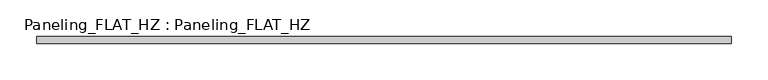
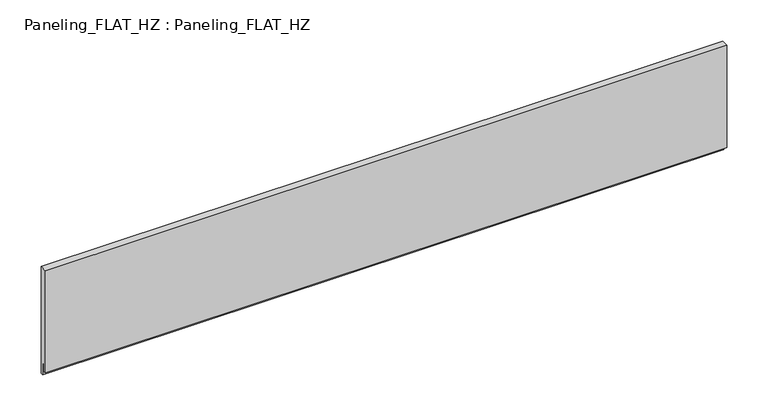
"""IFC4 building model written with IfcOpenShell, lengths in millimetres: plate geometry, Paneling_FLAT_HZ : Paneling_FLAT_HZ."""

import ifcopenshell
import ifcopenshell.guid

model = None  # the IFC model being written
_history = None  # IfcOwnerHistory: only IFC2X3 demands one
_inside = {}  # id of a spatial element -> (the spatial element, [elements in it])
_under = {}  # id of a project, library or spatial element -> (it, [spatial elements below it])
_declared = {}  # id of a project -> (the project, [libraries it declares])
_typed = {}  # id of a type object -> (the type object, [elements of that type])
_made_of = {}  # id of a material, layer set ... -> (it, [elements and type objects made of it])


def new_model(schema):
    """Start an empty IFC model of exactly this schema.

    Asked for "IFC4X3", IfcOpenShell would pick the latest addendum, in which some entities
    have other attributes; the version numbers below select the first issue.
    IFC2X3 requires an IfcOwnerHistory on every rooted entity: one is made here for all.
    """
    global model, _history
    if schema == "IFC4X3":
        model = ifcopenshell.file(schema_version=(4, 3, 0, 0))
    else:
        model = ifcopenshell.file(schema=schema)
    _inside.clear()
    _under.clear()
    _declared.clear()
    _typed.clear()
    _made_of.clear()
    _history = None
    if model.schema == "IFC2X3":
        org = make("IfcOrganization", Name="unknown")
        user = make(
            "IfcPersonAndOrganization",
            ThePerson=make("IfcPerson", FamilyName="unknown"),
            TheOrganization=org,
        )
        app = make(
            "IfcApplication",
            ApplicationDeveloper=org,
            Version="unknown",
            ApplicationFullName="unknown",
            ApplicationIdentifier="unknown",
        )
        _history = make(
            "IfcOwnerHistory",
            OwningUser=user,
            OwningApplication=app,
            ChangeAction="ADDED",
            CreationDate=0,
        )
    return model


def make(cls, **values):
    """One entity of the class cls with the attributes given. An attribute that is None is left unset."""
    return model.create_entity(
        cls, **{name: value for name, value in values.items() if value is not None}
    )


def rooted(cls, **values):
    """An entity with a GlobalId (a new one), such as an element, a storey or a relation."""
    return make(cls, GlobalId=ifcopenshell.guid.new(), OwnerHistory=_history, **values)


def si_unit(unit_type, name, prefix=None):
    """IfcSIUnit, for example si_unit("LENGTHUNIT", "METRE", prefix="MILLI")."""
    return make("IfcSIUnit", UnitType=unit_type, Prefix=prefix, Name=name)


def assignment(units):
    """IfcUnitAssignment: the units of a project."""
    return None if units is None else make("IfcUnitAssignment", Units=units)


def point(xyz):
    """IfcCartesianPoint."""
    return None if xyz is None else make("IfcCartesianPoint", Coordinates=xyz)


def direction(xyz):
    """IfcDirection."""
    return None if xyz is None else make("IfcDirection", DirectionRatios=xyz)


def frame(location, z_axis=None, x_axis=None):
    """IfcAxis2Placement3D, a coordinate frame: its origin and axes. An axis left out is left unset."""
    return make(
        "IfcAxis2Placement3D",
        Location=point(location),
        Axis=direction(z_axis),
        RefDirection=direction(x_axis),
    )


def origin():
    """The frame at (0, 0, 0) with its axes left unset."""
    return frame((0.0, 0.0, 0.0))


def place(relative_to, where):
    """IfcLocalPlacement: puts the frame where relative to a parent placement (None: the world)."""
    return make(
        "IfcLocalPlacement", PlacementRelTo=relative_to, RelativePlacement=where
    )


def context(
    kind, dimensions, precision=None, world=None, true_north=None, identifier=None
):
    """IfcGeometricRepresentationContext, for example the 3D "Model" context."""
    return make(
        "IfcGeometricRepresentationContext",
        ContextIdentifier=identifier,
        ContextType=kind,
        CoordinateSpaceDimension=dimensions,
        Precision=precision,
        WorldCoordinateSystem=world,
        TrueNorth=true_north,
    )


def project(units=None, contexts=None):
    """IfcProject with its units and contexts."""
    return rooted(
        "IfcProject",
        Name="project",
        RepresentationContexts=contexts,
        UnitsInContext=assignment(units),
    )


def spatial(cls, under=None, at=None, **own):
    """A site, building, storey or space (cls), placed at a placement, below another one or the project."""
    s = rooted(cls, ObjectPlacement=at, **own)
    if under is not None:
        _under.setdefault(under.id(), (under, []))[1].append(s)
    return s


def polyline(points):
    """IfcPolyline through the points."""
    return make("IfcPolyline", Points=[point(p) for p in points])


def outline(outer, holes=None, kind="AREA"):
    """IfcArbitraryClosedProfileDef: a profile drawn as a closed curve; with holes, ...WithVoids."""
    if holes is None:
        return make("IfcArbitraryClosedProfileDef", ProfileType=kind, OuterCurve=outer)
    return make(
        "IfcArbitraryProfileDefWithVoids",
        ProfileType=kind,
        OuterCurve=outer,
        InnerCurves=holes,
    )


def extrude(swept, where, along, depth):
    """IfcExtrudedAreaSolid: the profile swept, set in the frame where, extruded along a direction by depth."""
    return make(
        "IfcExtrudedAreaSolid",
        SweptArea=swept,
        Position=where,
        ExtrudedDirection=direction(along),
        Depth=depth,
    )


def shape(context_of_items, identifier, shape_type, items):
    """IfcShapeRepresentation: the items that make up one representation, for example the "Body"."""
    return make(
        "IfcShapeRepresentation",
        ContextOfItems=context_of_items,
        RepresentationIdentifier=identifier,
        RepresentationType=shape_type,
        Items=items,
    )


def source(mapping_origin, context_of_items, identifier, shape_type, items):
    """IfcRepresentationMap: a shape defined once, which mapped items show again and again."""
    return make(
        "IfcRepresentationMap",
        MappingOrigin=mapping_origin,
        MappedRepresentation=shape(context_of_items, identifier, shape_type, items),
    )


def transform(
    local_origin,
    x_axis=None,
    y_axis=None,
    z_axis=None,
    scale=None,
    scale2=None,
    scale3=None,
    uniform=True,
):
    """IfcCartesianTransformationOperator3D, or its non-uniform kind. x_axis, y_axis, z_axis: its Axis1, 2, 3."""
    if uniform:
        return make(
            "IfcCartesianTransformationOperator3D",
            Axis1=direction(x_axis),
            Axis2=direction(y_axis),
            LocalOrigin=point(local_origin),
            Scale=scale,
            Axis3=direction(z_axis),
        )
    return make(
        "IfcCartesianTransformationOperator3DnonUniform",
        Axis1=direction(x_axis),
        Axis2=direction(y_axis),
        LocalOrigin=point(local_origin),
        Scale=scale,
        Axis3=direction(z_axis),
        Scale2=scale2,
        Scale3=scale3,
    )


def mapped(mapping_source, mapping_target):
    """IfcMappedItem: shows the shape of a source again, moved by a transform."""
    return make(
        "IfcMappedItem", MappingSource=mapping_source, MappingTarget=mapping_target
    )


def made_of(thing, what):
    """Note that an element or type object is made of a material, layer set ...; save() writes the relation."""
    if what is not None:
        _made_of.setdefault(what.id(), (what, []))[1].append(thing)
    return thing


def element(
    cls,
    number,
    at=None,
    inside=None,
    cuts=None,
    type_object=None,
    material=None,
    context=None,
    identifier="Body",
    shape_type=None,
    held_by="IfcProductDefinitionShape",
    body=None,
    shapes=None,
    **own,
):
    """One element of the class cls, such as IfcWall. Its Tag is "e" and its number.

    at: its placement. inside: the storey or other place that contains it. cuts: it is an
    opening in that element (IfcRelVoidsElement). A single representation is given by context,
    identifier, shape_type and body (its items); several are given by shapes. held_by: the class
    of the entity that holds the representations. save() writes the other relations.
    """
    e = rooted(cls, Tag="e%d" % number, ObjectPlacement=at, **own)
    if body is not None:
        shapes = [shape(context, identifier, shape_type, body)]
    if shapes is not None:
        e.Representation = make(held_by, Representations=shapes)
    if inside is not None:
        _inside.setdefault(inside.id(), (inside, []))[1].append(e)
    if cuts is not None:
        rooted(
            "IfcRelVoidsElement", RelatingBuildingElement=cuts, RelatedOpeningElement=e
        )
    if type_object is not None:
        _typed.setdefault(type_object.id(), (type_object, []))[1].append(e)
    return made_of(e, material)


def aggregate(whole, parts):
    """IfcRelAggregates: a whole, such as a stair, and the parts it consists of."""
    return rooted("IfcRelAggregates", RelatingObject=whole, RelatedObjects=parts)


def save(model, path):
    """Write the relations noted so far, then the file.

    IfcRelAggregates (storeys below a building ...), IfcRelContainedInSpatialStructure (elements
    in a storey), IfcRelDefinesByType, IfcRelAssociatesMaterial and IfcRelDeclares: one each for
    every whole, place, type object, material and project.
    """
    for whole, parts in _under.values():
        aggregate(whole, parts)
    for where, things in _inside.values():
        rooted(
            "IfcRelContainedInSpatialStructure",
            RelatedElements=things,
            RelatingStructure=where,
        )
    for kind, things in _typed.values():
        rooted("IfcRelDefinesByType", RelatedObjects=things, RelatingType=kind)
    for what, things in _made_of.values():
        rooted("IfcRelAssociatesMaterial", RelatedObjects=things, RelatingMaterial=what)
    for by, libraries in _declared.values():
        rooted("IfcRelDeclares", RelatingContext=by, RelatedDefinitions=libraries)
    model.write(path)


def paneling_flat_hz_paneling_flat_hz_a601750b(model_context):
    return source(origin(), model_context, "Body", "SweptSolid", [
        extrude(outline(polyline([(5.0, 151.0), (5.0, -7.0), (2.0, -7.0), (2.0, 11.0), (-1.0, 11.0), (-1.0, 0.0), (-5.0, 0.0), (-5.0, 151.0), (5.0, 151.0)])), frame((-475.5, 0.0, 0.0), z_axis=(1.0, 0.0, 0.0), x_axis=(0.0, 1.0, 0.0)), (0.0, 0.0, 1.0), 951.0),
    ])


if __name__ == "__main__":
    model = new_model("IFC4")
    model_context = context("Model", 3, world=origin())
    ifc_project = project(units=[si_unit("LENGTHUNIT", "METRE", prefix="MILLI")], contexts=[model_context])
    site = spatial("IfcSite", under=ifc_project)
    building = spatial("IfcBuilding", under=site)
    placement = place(None, origin())
    paneling_flat_hz_paneling_flat_hz_shape = paneling_flat_hz_paneling_flat_hz_a601750b(model_context)
    element("IfcPlate", 1, ObjectType="Paneling_FLAT_HZ : Paneling_FLAT_HZ", at=placement, inside=building, context=model_context, shape_type="MappedRepresentation", body=[
        mapped(paneling_flat_hz_paneling_flat_hz_shape, transform((0.0, 0.0, 0.0), x_axis=(1.0, 0.0, 0.0), y_axis=(0.0, 1.0, 0.0), z_axis=(0.0, 0.0, 1.0))),
    ])
    save(model, "model.ifc")
